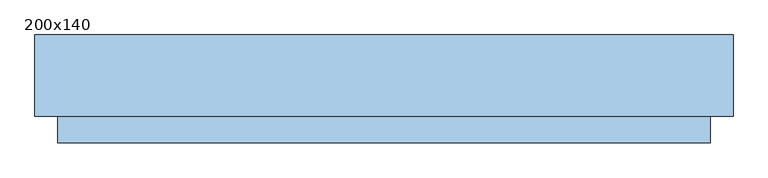
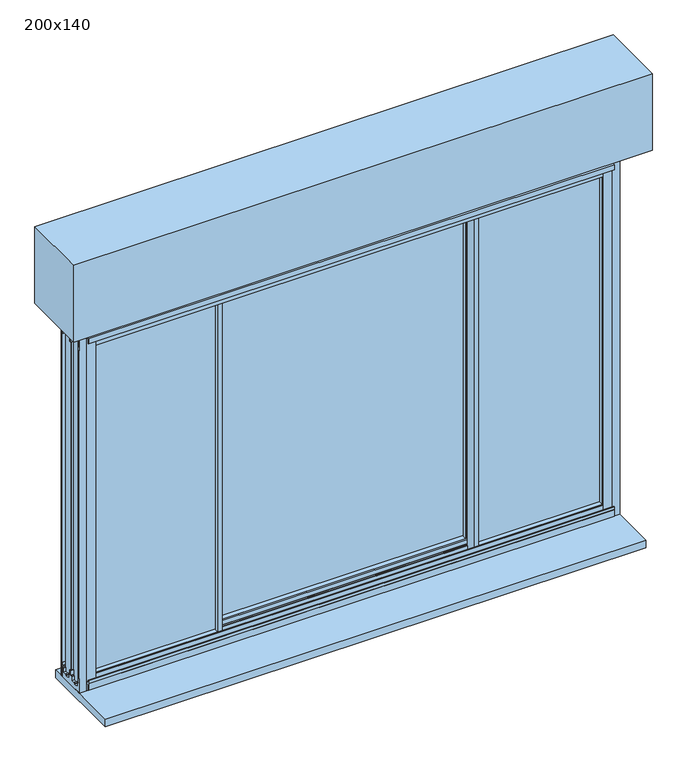
"""IFC4 building model written with IfcOpenShell, lengths in millimetres: window geometry, 200x140."""

from ifc_helpers import new_model, si_unit, frame, origin, place, context, project, spatial, polyline, outline, extrude, faceted_brep, source, transform, mapped, element, save


def window_200x140_df339272(model_context):
    return source(origin(), model_context, "Body", "SolidModel", [
        extrude(outline(polyline([(1421.5, 940.7), (1325.5, 940.7), (1325.5, 966.7), (1421.5, 966.7), (1421.5, 940.7)]), holes=[polyline([(1328.5, 963.7), (1328.5, 943.7), (1418.5, 943.7), (1418.5, 963.7), (1328.5, 963.7)])]), frame((0.0, 32.25, 0.0), z_axis=(0.0, 1.0, 0.0), x_axis=(0.0, 0.0, 1.0)), (0.0, 0.0, 1.0), 10.0),
        extrude(outline(polyline([(1421.5, -888.3), (1421.5, -914.3), (1325.5, -914.3), (1325.5, -888.3), (1421.5, -888.3)]), holes=[polyline([(1328.5, -911.3), (1418.5, -911.3), (1418.5, -891.3), (1328.5, -891.3), (1328.5, -911.3)])]), frame((0.0, 32.65, 0.0), z_axis=(0.0, 1.0, 0.0), x_axis=(0.0, 0.0, 1.0)), (0.0, 0.0, 1.0), 10.0),
        extrude(outline(polyline([(1096.2, -93.75), (-1043.8, -93.75), (-1043.8, 156.25), (1096.2, 156.25), (1096.2, -93.75)])), frame((0.0, 0.0, 2123.5), z_axis=(0.0, 0.0, 1.0), x_axis=(1.0, 0.0, 0.0)), (0.0, 0.0, 1.0), 300.0),
        extrude(outline(polyline([(-923.7, 20.25), (-923.7, 26.25), (-447.3, 26.25), (-447.3, 20.25), (-923.7, 20.25)])), frame((0.0, 0.0, 717.8), z_axis=(0.0, 0.0, 1.0), x_axis=(1.0, 0.0, 0.0)), (0.0, 0.0, 1.0), 1305.6),
        extrude(outline(polyline([(976.1, 20.25), (500.7, 20.25), (500.7, 26.25), (976.1, 26.25), (976.1, 20.25)])), frame((0.0, 0.0, 717.8), z_axis=(0.0, 0.0, 1.0), x_axis=(1.0, 0.0, 0.0)), (0.0, 0.0, 1.0), 1305.6),
        extrude(outline(polyline([(500.7, 75.05), (-448.3, 75.05), (-448.3, 81.05), (500.7, 81.05), (500.7, 75.05)])), frame((0.0, 0.0, 717.8), z_axis=(0.0, 0.0, 1.0), x_axis=(1.0, 0.0, 0.0)), (0.0, 0.0, 1.0), 1305.6),
        faceted_brep([(-439.3, 2.65, 697.1), (-457.3, 2.65, 697.1), (-457.3, 12.6000001, 697.1), (-944.2, 12.6000001, 697.1), (-944.2, 33.8999999, 697.1), (-457.3, 33.8999999, 697.1), (-457.3, 43.85, 697.1), (-443.1031371, 43.85, 697.1), (-443.1031371, 50.1440374, 697.1), (-446.4081362, 50.1440374, 697.1), (-450.6157826, 51.5636227, 697.1), (-450.6157826, 53.95, 697.1), (-441.3266098, 53.95, 697.1), (-441.3266098, 43.85, 697.1), (-439.3, 43.85, 697.1), (-447.0748111, 32.25, 697.1), (-448.3, 32.25, 697.1), (-448.3, 14.25, 697.1), (-447.0748111, 14.25, 697.1), (-439.3, 2.65, 2043.9), (-439.3, 43.85, 2043.9), (-441.3266098, 43.85, 2043.9), (-441.3266098, 53.95, 2043.9), (-450.6157826, 53.95, 2043.9), (-450.6157826, 51.5636227, 2043.9), (-446.4081362, 50.1440374, 2043.9), (-443.1031371, 50.1440374, 2043.9), (-443.1031371, 43.85, 2043.9), (-457.3, 43.85, 2043.9), (-457.3, 33.8999999, 2043.9), (-944.2, 33.8999999, 2043.9), (-944.2, 12.6000001, 2043.9), (-457.3, 12.6000001, 2043.9), (-457.3, 2.65, 2043.9), (-447.0748111, 14.25, 2043.9), (-448.3, 14.25, 2043.9), (-448.3, 32.25, 2043.9), (-447.0748111, 32.25, 2043.9), (-457.3, 2.65, 2031.9), (-932.2, 2.65, 2031.9), (-932.2, 2.65, 709.1), (-457.3, 2.65, 709.1), (-914.3, 2.65, 2014.0), (-457.3, 2.65, 2014.0), (-457.3, 2.65, 727.0), (-914.3, 2.65, 727.0), (-457.3, 6.95, 709.1), (-457.3, 6.95, 706.9), (-457.3, 12.6000001, 706.9), (-457.3, 12.6000001, 2034.1), (-457.3, 6.95, 2034.1), (-457.3, 6.95, 2031.9), (-457.3, 14.25, 2014.0), (-457.3, 14.25, 727.0), (-448.3, 14.25, 727.0), (-448.3, 14.25, 2014.0), (-448.3, 32.25, 2014.0), (-457.3, 32.25, 2014.0), (-457.3, 32.25, 727.0), (-448.3, 32.25, 727.0), (-457.3, 33.8999999, 706.9), (-457.3, 39.55, 706.9), (-457.3, 39.55, 709.1), (-457.3, 43.85, 709.1), (-457.3, 43.85, 2031.9), (-457.3, 39.55, 2031.9), (-457.3, 39.55, 2034.1), (-457.3, 33.8999999, 2034.1), (-457.3, 43.85, 2014.0), (-457.3, 43.85, 727.0), (-448.3, 20.25, 727.0), (-448.3, 26.25, 727.0), (-448.3, 26.25, 717.6), (-448.3, 20.25, 717.6), (-914.3, 20.25, 727.0), (-923.7, 20.25, 717.6), (-923.7, 20.25, 2023.4), (-448.3, 20.25, 2023.4), (-448.3, 20.25, 2014.0), (-914.3, 20.25, 2014.0), (-923.7, 26.25, 717.6), (-914.3, 26.25, 727.0), (-914.3, 26.25, 2014.0), (-448.3, 26.25, 2014.0), (-448.3, 26.25, 2023.4), (-923.7, 26.25, 2023.4), (-914.3, 43.85, 727.0), (-932.2, 43.85, 709.1), (-932.2, 39.55, 709.1), (-934.4, 39.55, 706.9), (-934.4, 39.55, 2034.1), (-932.2, 39.55, 2031.9), (-934.4, 33.8999999, 706.9), (-934.4, 33.8999999, 2034.1), (-934.4, 12.6000001, 706.9), (-934.4, 12.6000001, 2034.1), (-934.4, 6.95, 706.9), (-932.2, 6.95, 709.1), (-932.2, 6.95, 2031.9), (-934.4, 6.95, 2034.1), (-914.3, 43.85, 2014.0), (-932.2, 43.85, 2031.9)], [[[0, 1, 2, 3, 4, 5, 6, 7, 8, 9, 10, 11, 12, 13, 14], [15, 16, 17, 18]], [[19, 20, 21, 22, 23, 24, 25, 26, 27, 28, 29, 30, 31, 32, 33], [34, 35, 36, 37]], [[0, 19, 33, 38, 39, 40, 41, 1], [42, 43, 44, 45]], [[1, 41, 46, 47, 48, 2]], [[32, 49, 50, 51, 38, 33]], [[43, 52, 53, 44]], [[18, 17, 54, 53, 52, 55, 35, 34]], [[18, 34, 37, 15]], [[37, 36, 56, 57, 58, 59, 16, 15]], [[5, 60, 61, 62, 63, 6]], [[28, 64, 65, 66, 67, 29]], [[57, 68, 69, 58]], [[13, 21, 20, 14]], [[70, 54, 17, 16, 59, 71, 72, 73]], [[45, 44, 53, 54, 70, 74]], [[73, 75, 76, 77, 78, 79, 74, 70]], [[72, 80, 75, 73]], [[71, 81, 82, 83, 84, 85, 80, 72]], [[71, 59, 58, 69, 86, 81]], [[87, 63, 62, 88]], [[88, 62, 61, 89, 90, 66, 65, 91]], [[89, 61, 60, 92]], [[92, 60, 5, 4, 30, 29, 67, 93]], [[3, 2, 48, 94, 95, 49, 32, 31]], [[94, 48, 47, 96]], [[96, 47, 46, 97, 98, 51, 50, 99]], [[97, 46, 41, 40]], [[45, 74, 79, 42]], [[75, 80, 85, 76]], [[81, 86, 100, 82]], [[87, 88, 91, 101]], [[89, 92, 93, 90]], [[4, 3, 31, 30]], [[94, 96, 99, 95]], [[39, 98, 97, 40]], [[77, 84, 83, 56, 36, 35, 55, 78]], [[78, 55, 52, 43, 42, 79]], [[76, 85, 84, 77]], [[82, 100, 68, 57, 56, 83]], [[91, 65, 64, 101]], [[93, 67, 66, 90]], [[99, 50, 49, 95]], [[39, 38, 51, 98]], [[14, 20, 19, 0]], [[12, 22, 21, 13]], [[11, 23, 22, 12]], [[10, 24, 23, 11]], [[9, 25, 24, 10]], [[8, 26, 25, 9]], [[7, 27, 26, 8]], [[6, 63, 87, 101, 64, 28, 27, 7], [86, 69, 68, 100]]]),
        faceted_brep([(-457.3, 98.65, 697.1), (-439.3, 98.65, 697.1), (-439.3, 87.05, 697.1), (-449.6733902, 87.05, 697.1), (-449.6733902, 69.05, 697.1), (-439.3, 69.05, 697.1), (-439.3, 57.45, 697.1), (-453.5817343, 57.45, 697.1), (-453.5817343, 51.1559626, 697.1), (-450.1918638, 51.1559626, 697.1), (-445.9842174, 49.7071538, 697.1), (-445.9842174, 47.35, 697.1), (-455.3582616, 47.35, 697.1), (-455.3582616, 57.45, 697.1), (-457.3, 57.45, 697.1), (-457.3, 98.65, 2043.9), (-457.3, 57.45, 2043.9), (-455.3582616, 57.45, 2043.9), (-455.3582616, 47.35, 2043.9), (-445.9842174, 47.35, 2043.9), (-445.9842174, 49.7071538, 2043.9), (-450.1918638, 51.1559626, 2043.9), (-453.5817343, 51.1559626, 2043.9), (-453.5817343, 57.45, 2043.9), (-439.3, 57.45, 2043.9), (-439.3, 69.05, 2043.9), (-449.6733902, 69.05, 2043.9), (-449.6733902, 87.05, 2043.9), (-439.3, 87.05, 2043.9), (-439.3, 98.65, 2043.9)], [[[0, 1, 2, 3, 4, 5, 6, 7, 8, 9, 10, 11, 12, 13, 14]], [[15, 16, 17, 18, 19, 20, 21, 22, 23, 24, 25, 26, 27, 28, 29]], [[0, 15, 29, 1]], [[1, 29, 28, 2]], [[2, 28, 27, 3]], [[3, 27, 26, 4]], [[4, 26, 25, 5]], [[7, 23, 22, 8]], [[8, 22, 21, 9]], [[9, 21, 20, 10]], [[10, 20, 19, 11]], [[11, 19, 18, 12]], [[12, 18, 17, 13]], [[13, 17, 16, 14]], [[14, 16, 15, 0]], [[6, 24, 23, 7]], [[5, 25, 24, 6]]]),
        faceted_brep([(491.7, 2.65, 697.1), (491.7, 43.85, 697.1), (493.7266098, 43.85, 697.1), (493.7266098, 53.95, 697.1), (503.0157826, 53.95, 697.1), (503.0157826, 51.5636227, 697.1), (498.8081362, 50.1440374, 697.1), (495.5031371, 50.1440374, 697.1), (495.5031371, 43.85, 697.1), (509.7, 43.85, 697.1), (509.7, 33.8999999, 697.1), (996.6, 33.8999999, 697.1), (996.6, 12.6000001, 697.1), (509.7, 12.6000001, 697.1), (509.7, 2.65, 697.1), (499.4748111, 32.25, 697.1), (499.4748111, 14.25, 697.1), (500.7, 14.25, 697.1), (500.7, 32.25, 697.1), (491.7, 2.65, 2043.9), (509.7, 2.65, 2043.9), (509.7, 12.6000001, 2043.9), (996.6, 12.6000001, 2043.9), (996.6, 33.8999999, 2043.9), (509.7, 33.8999999, 2043.9), (509.7, 43.85, 2043.9), (495.5031371, 43.85, 2043.9), (495.5031371, 50.1440374, 2043.9), (498.8081362, 50.1440374, 2043.9), (503.0157826, 51.5636227, 2043.9), (503.0157826, 53.95, 2043.9), (493.7266098, 53.95, 2043.9), (493.7266098, 43.85, 2043.9), (491.7, 43.85, 2043.9), (499.4748111, 14.25, 2043.9), (499.4748111, 32.25, 2043.9), (500.7, 32.25, 2043.9), (500.7, 14.25, 2043.9), (500.7, 26.25, 727.0), (500.7, 32.25, 727.0), (500.7, 14.25, 727.0), (500.7, 20.25, 727.0), (500.7, 20.25, 717.6), (500.7, 26.25, 717.6), (500.7, 20.25, 2014.0), (500.7, 14.25, 2014.0), (500.7, 32.25, 2014.0), (500.7, 26.25, 2014.0), (500.7, 26.25, 2023.4), (500.7, 20.25, 2023.4), (966.7, 43.85, 727.0), (509.7, 43.85, 727.0), (509.7, 32.25, 727.0), (966.7, 26.25, 727.0), (976.1, 26.25, 717.6), (976.1, 26.25, 2023.4), (966.7, 26.25, 2014.0), (976.1, 20.25, 717.6), (966.7, 20.25, 727.0), (966.7, 20.25, 2014.0), (976.1, 20.25, 2023.4), (509.7, 14.25, 727.0), (509.7, 2.65, 727.0), (966.7, 2.65, 727.0), (984.6, 2.65, 709.1), (509.7, 2.65, 709.1), (509.7, 6.95, 709.1), (984.6, 6.95, 709.1), (509.7, 6.95, 706.9), (986.8, 6.95, 706.9), (986.8, 6.95, 2034.1), (509.7, 6.95, 2034.1), (509.7, 6.95, 2031.9), (984.6, 6.95, 2031.9), (509.7, 12.6000001, 706.9), (986.8, 12.6000001, 706.9), (509.7, 12.6000001, 2034.1), (986.8, 12.6000001, 2034.1), (509.7, 33.8999999, 706.9), (986.8, 33.8999999, 706.9), (986.8, 33.8999999, 2034.1), (509.7, 33.8999999, 2034.1), (509.7, 39.55, 706.9), (986.8, 39.55, 706.9), (509.7, 39.55, 709.1), (984.6, 39.55, 709.1), (984.6, 39.55, 2031.9), (509.7, 39.55, 2031.9), (509.7, 39.55, 2034.1), (986.8, 39.55, 2034.1), (509.7, 43.85, 709.1), (984.6, 43.85, 709.1), (966.7, 43.85, 2014.0), (966.7, 2.65, 2014.0), (984.6, 2.65, 2031.9), (984.6, 43.85, 2031.9), (509.7, 32.25, 2014.0), (509.7, 43.85, 2014.0), (509.7, 2.65, 2014.0), (509.7, 14.25, 2014.0), (509.7, 2.65, 2031.9), (509.7, 43.85, 2031.9)], [[[0, 1, 2, 3, 4, 5, 6, 7, 8, 9, 10, 11, 12, 13, 14], [15, 16, 17, 18]], [[19, 20, 21, 22, 23, 24, 25, 26, 27, 28, 29, 30, 31, 32, 33], [34, 35, 36, 37]], [[38, 39, 18, 17, 40, 41, 42, 43]], [[44, 45, 37, 36, 46, 47, 48, 49]], [[50, 51, 52, 39, 38, 53]], [[43, 54, 55, 48, 47, 56, 53, 38]], [[42, 57, 54, 43]], [[41, 58, 59, 44, 49, 60, 57, 42]], [[41, 40, 61, 62, 63, 58]], [[64, 65, 66, 67]], [[67, 66, 68, 69, 70, 71, 72, 73]], [[69, 68, 74, 75]], [[75, 74, 13, 12, 22, 21, 76, 77]], [[11, 10, 78, 79, 80, 81, 24, 23]], [[79, 78, 82, 83]], [[83, 82, 84, 85, 86, 87, 88, 89]], [[85, 84, 90, 91]], [[50, 53, 56, 92]], [[54, 57, 60, 55]], [[58, 63, 93, 59]], [[64, 67, 73, 94]], [[69, 75, 77, 70]], [[12, 11, 23, 22]], [[79, 83, 89, 80]], [[95, 86, 85, 91]], [[47, 46, 96, 97, 92, 56]], [[48, 55, 60, 49]], [[59, 93, 98, 99, 45, 44]], [[73, 72, 100, 94]], [[77, 76, 71, 70]], [[89, 88, 81, 80]], [[95, 101, 87, 86]], [[14, 65, 64, 94, 100, 20, 19, 0], [98, 93, 63, 62]], [[62, 61, 99, 98]], [[13, 74, 68, 66, 65, 14]], [[20, 100, 72, 71, 76, 21]], [[34, 37, 45, 99, 61, 40, 17, 16]], [[15, 35, 34, 16]], [[15, 18, 39, 52, 96, 46, 36, 35]], [[52, 51, 97, 96]], [[24, 81, 88, 87, 101, 25]], [[9, 90, 84, 82, 78, 10]], [[8, 26, 25, 101, 95, 91, 90, 9], [51, 50, 92, 97]], [[7, 27, 26, 8]], [[6, 28, 27, 7]], [[5, 29, 28, 6]], [[4, 30, 29, 5]], [[3, 31, 30, 4]], [[2, 32, 31, 3]], [[1, 33, 32, 2]], [[0, 19, 33, 1]]]),
        faceted_brep([(509.7, 98.65, 697.1), (509.7, 57.45, 697.1), (507.7582616, 57.45, 697.1), (507.7582616, 47.35, 697.1), (498.3842174, 47.35, 697.1), (498.3842174, 49.7071538, 697.1), (502.5918638, 51.1559626, 697.1), (505.9817343, 51.1559626, 697.1), (505.9817343, 57.45, 697.1), (491.7, 57.45, 697.1), (491.7, 69.05, 697.1), (502.0733902, 69.05, 697.1), (502.0733902, 87.05, 697.1), (491.7, 87.05, 697.1), (491.7, 98.65, 697.1), (509.7, 98.65, 2043.9), (491.7, 98.65, 2043.9), (491.7, 87.05, 2043.9), (502.0733902, 87.05, 2043.9), (502.0733902, 69.05, 2043.9), (491.7, 69.05, 2043.9), (491.7, 57.45, 2043.9), (505.9817343, 57.45, 2043.9), (505.9817343, 51.1559626, 2043.9), (502.5918638, 51.1559626, 2043.9), (498.3842174, 49.7071538, 2043.9), (498.3842174, 47.35, 2043.9), (507.7582616, 47.35, 2043.9), (507.7582616, 57.45, 2043.9), (509.7, 57.45, 2043.9)], [[[0, 1, 2, 3, 4, 5, 6, 7, 8, 9, 10, 11, 12, 13, 14]], [[15, 16, 17, 18, 19, 20, 21, 22, 23, 24, 25, 26, 27, 28, 29]], [[14, 16, 15, 0]], [[13, 17, 16, 14]], [[12, 18, 17, 13]], [[11, 19, 18, 12]], [[10, 20, 19, 11]], [[9, 21, 20, 10]], [[8, 22, 21, 9]], [[7, 23, 22, 8]], [[6, 24, 23, 7]], [[5, 25, 24, 6]], [[4, 26, 25, 5]], [[3, 27, 26, 4]], [[2, 28, 27, 3]], [[1, 29, 28, 2]], [[0, 15, 29, 1]]]),
        extrude(outline(polyline([(-19.55, 2056.5), (-4.95, 2056.5), (-4.95, 2055.0), (-17.55, 2055.0), (-17.55, 2037.5), (-19.55, 2037.5), (-19.55, 2056.5)])), frame((-946.45, 0.0, 0.0), z_axis=(1.0, 0.0, 0.0), x_axis=(0.0, 1.0, 0.0)), (0.0, 0.0, 1.0), 1945.3),
        extrude(outline(polyline([(-19.55, 682.9), (-19.55, 708.9), (-16.65, 708.9), (-16.05, 709.5), (-19.55, 709.5), (-19.55, 720.6), (-17.55, 720.6), (-17.55, 711.0), (-13.95, 711.0), (-13.95, 708.6), (-4.95, 708.6), (-4.95, 704.1), (-18.35, 704.1), (-18.35, 682.9), (-19.55, 682.9)])), frame((-946.45, 0.0, 0.0), z_axis=(1.0, 0.0, 0.0), x_axis=(0.0, 1.0, 0.0)), (0.0, 0.0, 1.0), 1945.3),
        extrude(outline(polyline([(-0.85, 729.0), (-0.85, 711.8), (0.0941191, 711.8), (1.55, 707.8), (4.3, 707.8), (4.3, 692.6), (21.0, 692.6), (21.0, 696.5731379), (25.5, 696.5731379), (25.5, 692.6), (42.2, 692.6), (42.2, 707.8), (44.9, 707.8), (46.3558809, 711.8), (47.35, 711.8), (47.35, 729.0), (53.95, 729.0), (53.95, 711.8), (54.9441191, 711.8), (56.4, 707.8), (59.1, 707.8), (59.1, 692.6), (75.8, 692.6), (75.8, 696.5731379), (80.3, 696.5731379), (80.3, 692.6), (97.0, 692.6), (97.0, 707.8), (99.75, 707.8), (101.2058809, 711.8), (104.75, 711.8), (104.75, 717.8), (102.15, 717.8), (102.15, 729.0), (106.25, 729.0), (106.25, 673.5), (15.05, 673.5), (15.05, 676.5), (-4.95, 676.5), (-4.95, 729.0), (-0.85, 729.0)])), frame((-973.8, 0.0, 0.0), z_axis=(1.0, 0.0, 0.0), x_axis=(0.0, 1.0, 0.0)), (0.0, 0.0, 1.0), 2000.0),
        extrude(outline(polyline([(-0.85, 2012.0), (-4.95, 2012.0), (-4.95, 2073.5), (106.25, 2073.5), (106.25, 2012.0), (102.15, 2012.0), (102.15, 2026.5), (104.75, 2026.5), (104.75, 2055.0), (51.4, 2055.0), (51.4, 2024.7), (53.95, 2024.7), (53.95, 2012.0), (47.35, 2012.0), (47.35, 2024.7), (49.9, 2024.7), (49.9, 2055.0), (-3.45, 2055.0), (-3.45, 2026.5), (-0.85, 2026.5), (-0.85, 2012.0)])), frame((-973.8, 0.0, 0.0), z_axis=(1.0, 0.0, 0.0), x_axis=(0.0, 1.0, 0.0)), (0.0, 0.0, 1.0), 2000.0),
        extrude(outline(polyline([(-960.95, -5.3), (-924.65, -5.3), (-924.65, -0.85), (-913.45, -0.85), (-913.45, -6.8), (-946.5952323, -6.8), (-973.8, -6.8), (-973.8, -0.5850342), (-962.75, -0.5850342), (-962.75, 49.9), (-969.028222, 49.9), (-969.028222, 51.425037), (-962.75, 51.425037), (-962.75, 101.8850342), (-973.8, 101.8850342), (-973.8, 108.1), (-913.45, 108.1), (-913.45, 47.35), (-924.65, 47.35), (-924.65, 49.9), (-960.95, 49.9), (-960.95, 22.7303848), (-960.95, -5.3)])), frame((0.0, 0.0, 673.5), z_axis=(0.0, 0.0, 1.0), x_axis=(1.0, 0.0, 0.0)), (0.0, 0.0, 1.0), 1400.0),
        extrude(outline(polyline([(1013.35, -5.3), (1013.35, 22.7303848), (1013.35, 49.9), (977.05, 49.9), (977.05, 47.35), (965.85, 47.35), (965.85, 108.1), (1026.2, 108.1), (1026.2, 101.8850342), (1015.15, 101.8850342), (1015.15, 51.425037), (1021.428222, 51.425037), (1021.428222, 49.9), (1015.15, 49.9), (1015.15, -0.5850342), (1026.2, -0.5850342), (1026.2, -6.8), (998.9952323, -6.8), (965.85, -6.8), (965.85, -0.85), (977.05, -0.85), (977.05, -5.3), (1013.35, -5.3)])), frame((0.0, 0.0, 673.5), z_axis=(0.0, 0.0, 1.0), x_axis=(1.0, 0.0, 0.0)), (0.0, 0.0, 1.0), 1400.0),
        extrude(outline(polyline([(1026.2, -173.75), (-973.8, -173.75), (-973.8, 143.25), (1026.2, 143.25), (1026.2, -173.75)])), frame((0.0, 0.0, 643.5), z_axis=(0.0, 0.0, 1.0), x_axis=(1.0, 0.0, 0.0)), (0.0, 0.0, 1.0), 30.0),
        faceted_brep([(965.85, 106.25, 729.0), (965.85, 106.25, 2012.0), (965.85, 126.4, 2012.0), (965.85, 126.4, 729.0), (1016.5502862, 110.5, 678.2997138), (1016.5502862, 110.5, 2062.7002862), (1016.5502862, 106.25, 2062.7002862), (1016.5502862, 106.25, 678.2997138), (1021.35, 114.1, 673.5), (1021.35, 114.1, 2067.5), (1021.35, 110.5, 2067.5), (1021.35, 110.5, 673.5), (986.35, 117.0431112, 708.5), (986.35, 117.0431112, 2032.5), (986.35, 114.1, 2032.5), (986.35, 114.1, 708.5), (986.95, 117.9, 707.9), (986.95, 117.9, 2033.1), (986.95, 126.4, 707.9), (986.95, 126.4, 2033.1), (-913.45, 106.25, 2012.0), (-913.45, 126.4, 2012.0), (-964.1502862, 110.5, 2062.7002862), (-964.1502862, 106.25, 2062.7002862), (-968.95, 114.1, 2067.5), (-968.95, 110.5, 2067.5), (-933.95, 117.0431112, 2032.5), (-933.95, 114.1, 2032.5), (-934.55, 117.9, 2033.1), (-934.55, 126.4, 2033.1), (-913.45, 106.25, 729.0), (-913.45, 126.4, 729.0), (-964.1502862, 110.5, 678.2997138), (-964.1502862, 106.25, 678.2997138), (-968.95, 114.1, 673.5), (-968.95, 110.5, 673.5), (-933.95, 117.0431112, 708.5), (-933.95, 114.1, 708.5), (-934.55, 117.9, 707.9), (-934.55, 126.4, 707.9)], [[[0, 1, 2, 3]], [[4, 5, 6, 7]], [[8, 9, 10, 11]], [[12, 13, 14, 15]], [[16, 17, 13, 12]], [[18, 19, 17, 16]], [[1, 20, 21, 2]], [[5, 22, 23, 6]], [[9, 24, 25, 10]], [[13, 26, 27, 14]], [[17, 28, 26, 13]], [[19, 29, 28, 17]], [[20, 30, 31, 21]], [[22, 32, 33, 23]], [[24, 34, 35, 25]], [[26, 36, 37, 27]], [[28, 38, 36, 26]], [[29, 39, 38, 28]], [[19, 18, 39, 29], [3, 2, 21, 31]], [[30, 0, 3, 31]], [[7, 6, 23, 33], [1, 0, 30, 20]], [[32, 4, 7, 33]], [[11, 10, 25, 35], [5, 4, 32, 22]], [[34, 8, 11, 35]], [[9, 8, 34, 24], [15, 14, 27, 37]], [[36, 12, 15, 37]], [[38, 16, 12, 36]], [[39, 18, 16, 38]]]),
        extrude(outline(polyline([(57.45, 2031.9), (61.75, 2031.9), (61.75, 2034.1), (67.4000001, 2034.1), (67.4000001, 2043.9), (88.6999999, 2043.9), (88.6999999, 2034.1), (94.35, 2034.1), (94.35, 2031.9), (98.65, 2031.9), (98.65, 2014.0), (81.05, 2014.0), (81.05, 2023.4), (75.05, 2023.4), (75.05, 2014.0), (57.45, 2014.0), (57.45, 2031.9)])), frame((-448.3, 0.0, 0.0), z_axis=(1.0, 0.0, 0.0), x_axis=(0.0, 1.0, 0.0)), (0.0, 0.0, 1.0), 949.0),
        extrude(outline(polyline([(57.45, 709.1), (57.45, 727.0), (75.05, 727.0), (75.05, 717.6), (81.05, 717.6), (81.05, 727.0), (98.65, 727.0), (98.65, 709.1), (94.35, 709.1), (94.35, 706.9), (88.6999999, 706.9), (88.6999999, 697.1), (67.4000001, 697.1), (67.4000001, 706.9), (61.75, 706.9), (61.75, 709.1), (57.45, 709.1)])), frame((-448.3, 0.0, 0.0), z_axis=(1.0, 0.0, 0.0), x_axis=(0.0, 1.0, 0.0)), (0.0, 0.0, 1.0), 949.0),
    ])


if __name__ == "__main__":
    model = new_model("IFC4")
    model_context = context("Model", 3, world=origin())
    ifc_project = project(units=[si_unit("LENGTHUNIT", "METRE", prefix="MILLI")], contexts=[model_context])
    site = spatial("IfcSite", under=ifc_project)
    building = spatial("IfcBuilding", under=site)
    placement = place(None, origin())
    window_200x140_shape = window_200x140_df339272(model_context)
    element("IfcWindow", 1, ObjectType="200x140", at=placement, inside=building, context=model_context, shape_type="MappedRepresentation", body=[
        mapped(window_200x140_shape, transform((0.0, 0.0, 0.0), x_axis=(1.0, 0.0, 0.0), y_axis=(0.0, 1.0, 0.0), z_axis=(0.0, 0.0, 1.0))),
    ])
    save(model, "model.ifc")
